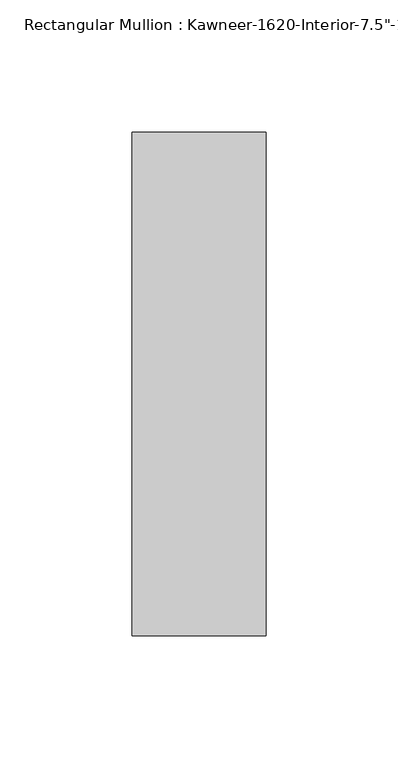
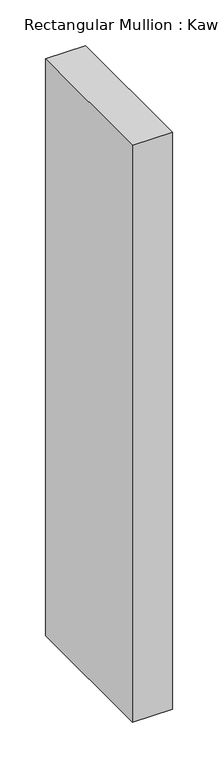
"""IFC4 building model written with IfcOpenShell, lengths in millimetres: member geometry."""

from ifc_helpers import new_model, si_unit, frame, origin, place, context, project, spatial, polyline, outline, extrude, source, transform, mapped, element, save


def member_280e63f2(model_context):
    return source(origin(), model_context, "Body", "SweptSolid", [
        extrude(outline(polyline([(25.4, 152.4), (25.4, -38.1), (-25.4, -38.1), (-25.4, 152.4), (25.4, 152.4)])), frame((0.0, 0.0, -771.525), z_axis=(0.0, 0.0, 1.0), x_axis=(1.0, 0.0, 0.0)), (0.0, 0.0, 1.0), 771.525),
    ])


if __name__ == "__main__":
    model = new_model("IFC4")
    model_context = context("Model", 3, world=origin())
    ifc_project = project(units=[si_unit("LENGTHUNIT", "METRE", prefix="MILLI")], contexts=[model_context])
    site = spatial("IfcSite", under=ifc_project)
    building = spatial("IfcBuilding", under=site)
    placement = place(None, origin())
    member_shape = member_280e63f2(model_context)
    element("IfcMember", 1, ObjectType="Rectangular Mullion : Kawneer-1620-Interior-7.5\"-1\"Infill", at=placement, inside=building, context=model_context, shape_type="MappedRepresentation", body=[
        mapped(member_shape, transform((0.0, 0.0, 0.0), x_axis=(1.0, 0.0, 0.0), y_axis=(0.0, 1.0, 0.0), z_axis=(0.0, 0.0, 1.0))),
    ])
    save(model, "model.ifc")
